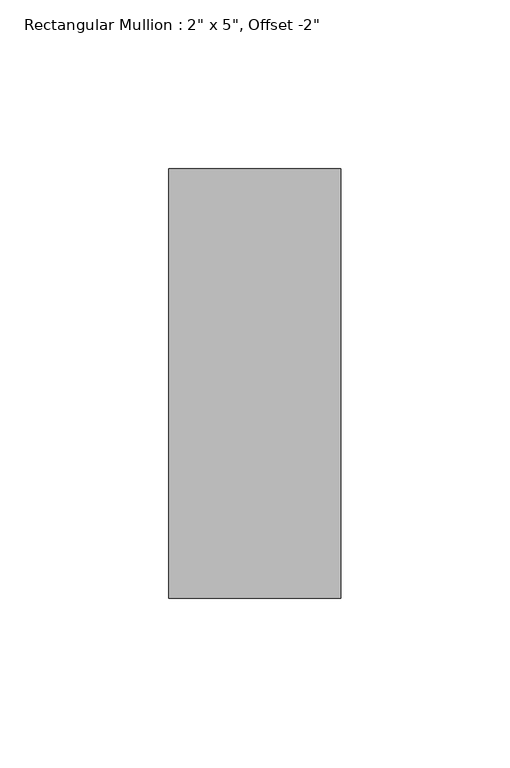
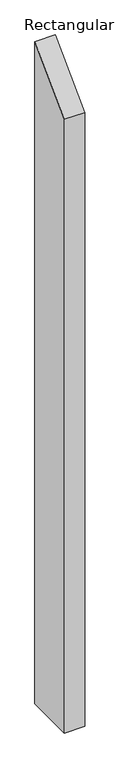
"""IFC4 building model written with IfcOpenShell, lengths in millimetres: member geometry."""

from ifc_helpers import new_model, si_unit, frame, origin, place, context, project, spatial, polyline, outline, extrude, source, transform, mapped, element, save


def member_e1001e8d(model_context):
    return source(origin(), model_context, "Body", "SweptSolid", [
        extrude(outline(polyline([(-114.3, -114.3), (12.7, 12.7), (12.7, -1724.025), (-114.3, -1724.025), (-114.3, -114.3)])), frame((-50.8, 0.0, 0.0), z_axis=(1.0, 0.0, 0.0), x_axis=(0.0, 1.0, 0.0)), (0.0, 0.0, 1.0), 50.8),
    ])


if __name__ == "__main__":
    model = new_model("IFC4")
    model_context = context("Model", 3, world=origin())
    ifc_project = project(units=[si_unit("LENGTHUNIT", "METRE", prefix="MILLI")], contexts=[model_context])
    site = spatial("IfcSite", under=ifc_project)
    building = spatial("IfcBuilding", under=site)
    placement = place(None, origin())
    member_shape = member_e1001e8d(model_context)
    element("IfcMember", 1, ObjectType="Rectangular Mullion : 2\" x 5\", Offset -2\"", at=placement, inside=building, context=model_context, shape_type="MappedRepresentation", body=[
        mapped(member_shape, transform((0.0, 0.0, 0.0), x_axis=(1.0, 0.0, 0.0), y_axis=(0.0, 1.0, 0.0), z_axis=(0.0, 0.0, 1.0))),
    ])
    save(model, "model.ifc")
